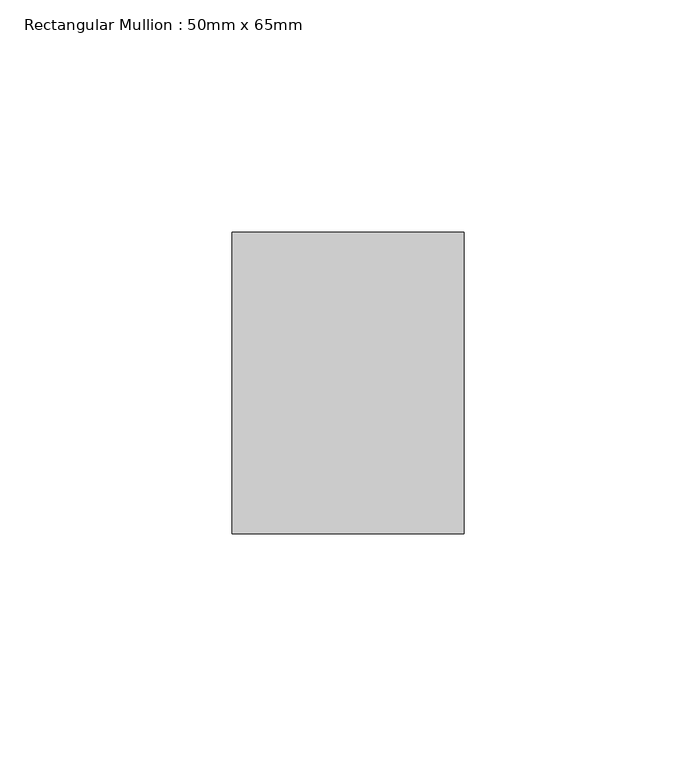
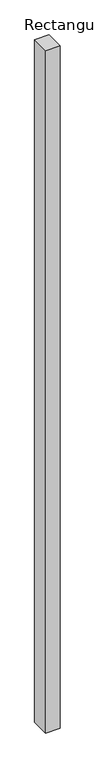
"""IFC4 building model written with IfcOpenShell, lengths in millimetres: member geometry, Rectangular Mullion : 50mm x 65mm."""

from ifc_helpers import new_model, si_unit, frame, origin, place, context, project, spatial, polyline, outline, extrude, source, transform, mapped, element, save


def rectangular_mullion_50mm_x_65mm_04495de5(model_context):
    return source(origin(), model_context, "Body", "SweptSolid", [
        extrude(outline(polyline([(25.0, 32.5), (25.0, -32.5), (-25.0, -32.5), (-25.0, 32.5), (25.0, 32.5)])), frame((0.0, 0.0, -2478.0254124), z_axis=(0.0, 0.0, 1.0), x_axis=(1.0, 0.0, 0.0)), (0.0, 0.0, 1.0), 2478.0254124),
    ])


if __name__ == "__main__":
    model = new_model("IFC4")
    model_context = context("Model", 3, world=origin())
    ifc_project = project(units=[si_unit("LENGTHUNIT", "METRE", prefix="MILLI")], contexts=[model_context])
    site = spatial("IfcSite", under=ifc_project)
    building = spatial("IfcBuilding", under=site)
    placement = place(None, origin())
    rectangular_mullion_50mm_x_65mm_shape = rectangular_mullion_50mm_x_65mm_04495de5(model_context)
    element("IfcMember", 1, ObjectType="Rectangular Mullion : 50mm x 65mm", at=placement, inside=building, context=model_context, shape_type="MappedRepresentation", body=[
        mapped(rectangular_mullion_50mm_x_65mm_shape, transform((0.0, 0.0, 0.0), x_axis=(1.0, 0.0, 0.0), y_axis=(0.0, 1.0, 0.0), z_axis=(0.0, 0.0, 1.0))),
    ])
    save(model, "model.ifc")
